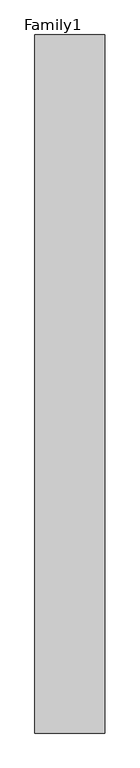
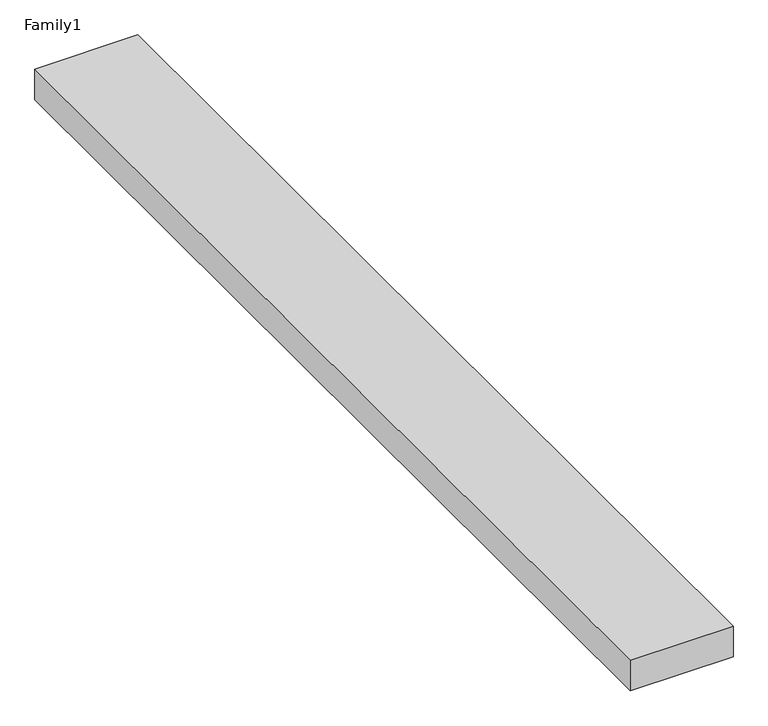
"""IFC4 building model written with IfcOpenShell, lengths in millimetres: proxy geometry, Family1."""

from ifc_helpers import new_model, si_unit, origin, origin_with_axes, place, context, project, spatial, polyline, outline, extrude, source, transform, mapped, element, save


def family1_5344f589(model_context):
    return source(origin(), model_context, "Body", "SweptSolid", [
        extrude(outline(polyline([(5000.0, 0.0), (0.0, 0.0), (0.0, 50000.0), (5000.0, 50000.0), (5000.0, 0.0)])), origin_with_axes(), (0.0, 0.0, 1.0), 1565.0),
    ])


if __name__ == "__main__":
    model = new_model("IFC4")
    model_context = context("Model", 3, world=origin())
    ifc_project = project(units=[si_unit("LENGTHUNIT", "METRE", prefix="MILLI")], contexts=[model_context])
    site = spatial("IfcSite", under=ifc_project)
    building = spatial("IfcBuilding", under=site)
    placement = place(None, origin())
    family1_shape = family1_5344f589(model_context)
    element("IfcBuildingElementProxy", 1, Name="Family1", ObjectType="Family1", at=placement, inside=building, context=model_context, shape_type="MappedRepresentation", body=[
        mapped(family1_shape, transform((0.0, 0.0, 0.0), x_axis=(1.0, 0.0, 0.0), y_axis=(0.0, 1.0, 0.0), z_axis=(0.0, 0.0, 1.0))),
    ])
    save(model, "model.ifc")
